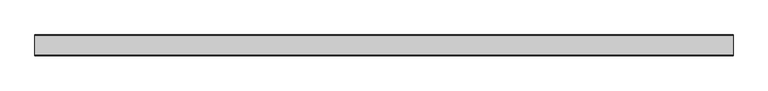
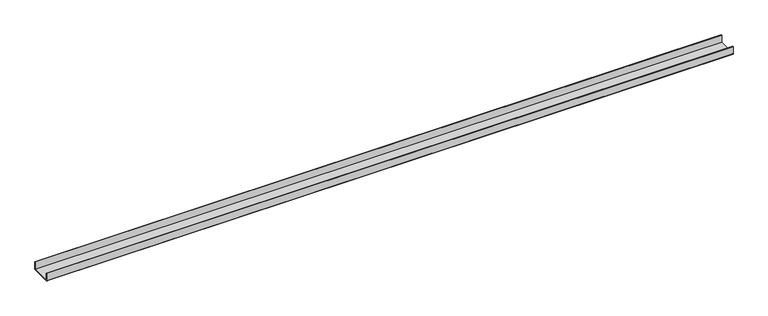
"""IFC4 building model written with IfcOpenShell, lengths in millimetres: proxy geometry."""

from ifc_helpers import new_model, si_unit, point, frame, frame_2d, origin, place, context, project, spatial, polyline, circle_curve, trimmed, segment, composite_curve, outline, extrude, source, transform, mapped, element, save


def generic_models_48cc2ffb(model_context):
    return source(origin(), model_context, "Body", "SweptSolid", [
        extrude(outline(composite_curve([segment(polyline([(-50.5, 2.0), (-50.5, 40.0), (-48.5, 40.0), (-48.5, 2.0), (48.5, 2.0), (48.5, 40.0), (50.5, 40.0), (50.5, 2.0)]), True, "CONTINUOUS"), segment(trimmed(circle_curve(frame_2d((48.5, 2.0)), 2.0), [point((50.5, 2.0))], [point((48.5, 0.0))], False, "CARTESIAN"), True, "CONTINUOUS"), segment(polyline([(48.5, 0.0), (-48.5, 0.0)]), True, "CONTINUOUS"), segment(trimmed(circle_curve(frame_2d((-48.5, 2.0)), 2.0), [point((-48.5, 0.0))], [point((-50.5, 2.0))], False, "CARTESIAN"), True, "CONTINUOUS")], self_intersect=False)), frame((0.0, 0.0, 0.0), z_axis=(1.0, 0.0, 0.0), x_axis=(0.0, 1.0, 0.0)), (0.0, 0.0, 1.0), 3400.0),
    ])


if __name__ == "__main__":
    model = new_model("IFC4")
    model_context = context("Model", 3, world=origin())
    ifc_project = project(units=[si_unit("LENGTHUNIT", "METRE", prefix="MILLI")], contexts=[model_context])
    site = spatial("IfcSite", under=ifc_project)
    building = spatial("IfcBuilding", under=site)
    placement = place(None, origin())
    generic_models_shape = generic_models_48cc2ffb(model_context)
    element("IfcBuildingElementProxy", 1, Name="Generic Models", at=placement, inside=building, context=model_context, shape_type="MappedRepresentation", body=[
        mapped(generic_models_shape, transform((0.0, 0.0, 0.0), x_axis=(1.0, 0.0, 0.0), y_axis=(0.0, 1.0, 0.0), z_axis=(0.0, 0.0, 1.0))),
    ])
    save(model, "model.ifc")
